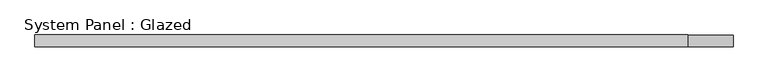
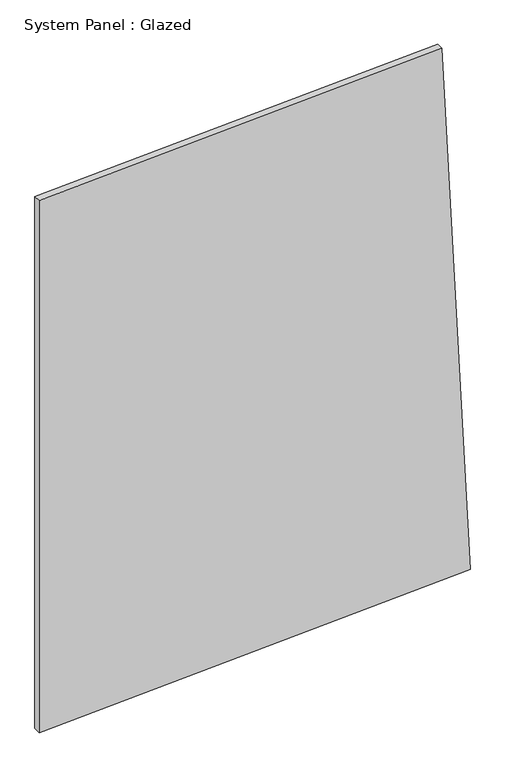
"""IFC4 building model written with IfcOpenShell, lengths in millimetres: plate geometry, System Panel : Glazed."""

from ifc_helpers import new_model, si_unit, frame, origin, place, context, project, spatial, polyline, outline, extrude, source, transform, mapped, element, save


def system_panel_glazed_02ca111b(model_context):
    return source(origin(), model_context, "Body", "SweptSolid", [
        extrude(outline(polyline([(0.0, -750.0), (75.0, 750.0), (2028.7822305, 652.3108885), (1958.6666861, -750.0), (0.0, -750.0)])), frame((0.0, -49.5, 0.0), z_axis=(0.0, 1.0, 0.0), x_axis=(0.0, 0.0, 1.0)), (0.0, 0.0, 1.0), 25.0),
    ])


if __name__ == "__main__":
    model = new_model("IFC4")
    model_context = context("Model", 3, world=origin())
    ifc_project = project(units=[si_unit("LENGTHUNIT", "METRE", prefix="MILLI")], contexts=[model_context])
    site = spatial("IfcSite", under=ifc_project)
    building = spatial("IfcBuilding", under=site)
    placement = place(None, origin())
    system_panel_glazed_shape = system_panel_glazed_02ca111b(model_context)
    element("IfcPlate", 1, ObjectType="System Panel : Glazed", at=placement, inside=building, context=model_context, shape_type="MappedRepresentation", body=[
        mapped(system_panel_glazed_shape, transform((0.0, 0.0, 0.0), x_axis=(1.0, 0.0, 0.0), y_axis=(0.0, 1.0, 0.0), z_axis=(0.0, 0.0, 1.0))),
    ])
    save(model, "model.ifc")
